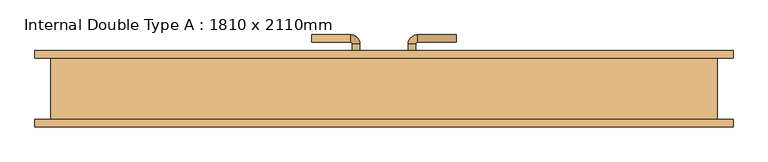
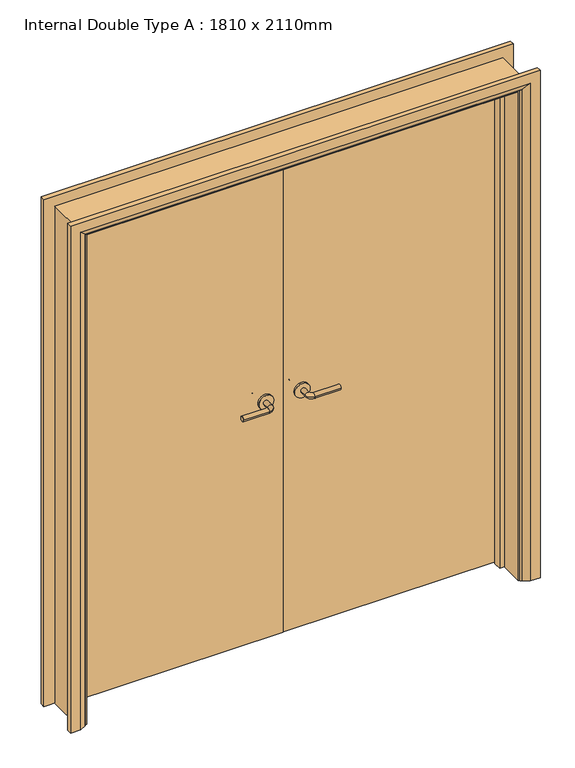
"""IFC4 building model written with IfcOpenShell, lengths in millimetres: door geometry, Internal Double Type A : 1810 x 2110mm."""

from ifc_helpers import new_model, si_unit, point, frame, frame_2d, origin, place, context, project, spatial, polyline, circle_curve, ellipse_curve, trimmed, segment, composite_curve, outline, extrude, faceted_brep, source, transform, mapped, element, save
from ifc_brep_helpers import plane_surface, cylinder_surface, revolved_surface, advanced_brep


def internal_double_type_a_1810_x_2110mm_94c24b58(model_context):
    return source(origin(), model_context, "Body", "SolidModel", [
        advanced_brep(
        [(-65.0, 42.5, 1007.0), (-85.0, 42.5, 1007.0), (-65.0, 12.5, 1007.0), (-85.0, 12.5, 1007.0), (-90.0, 7.5, 1007.0), (-90.0, -12.5, 1007.0), (-195.0, -12.5, 1007.0), (-195.0, 7.5, 1007.0)],
        [
            (0, 1, circle_curve(frame((-75.0, 42.5, 1007.0), z_axis=(0.0, 1.0, 0.0), x_axis=(-1.0, 0.0, 0.0)), 10.0)),
            (1, 0, circle_curve(frame((-75.0, 42.5, 1007.0), z_axis=(0.0, 1.0, 0.0), x_axis=(-1.0, 0.0, 0.0)), 10.0)),
            (0, 2),
            (2, 3, circle_curve(frame((-75.0, 12.5, 1007.0), z_axis=(0.0, 1.0, 0.0), x_axis=(-1.0, 0.0, 0.0)), 10.0)),
            (3, 1),
            (3, 2, circle_curve(frame((-75.0, 12.5, 1007.0), z_axis=(0.0, 1.0, 0.0), x_axis=(-1.0, 0.0, 0.0)), 10.0)),
            (4, 3, circle_curve(frame((-90.0, 12.5, 1007.0), z_axis=(0.0, 0.0, 1.0), x_axis=(1.0, 0.0, 0.0)), 5.0)),
            (2, 5, circle_curve(frame((-90.0, 12.5, 1007.0), z_axis=(0.0, 0.0, -1.0), x_axis=(1.0, 0.0, 0.0)), 25.0)),
            (5, 4, circle_curve(frame((-90.0, -2.5, 1007.0), z_axis=(1.0, 0.0, 0.0), x_axis=(0.0, 1.0, 0.0)), 10.0)),
            (4, 5, circle_curve(frame((-90.0, -2.5, 1007.0), z_axis=(1.0, 0.0, 0.0), x_axis=(0.0, 1.0, 0.0)), 10.0)),
            (6, 7, circle_curve(frame((-195.0, -2.5, 1007.0), z_axis=(-1.0, 0.0, 0.0), x_axis=(0.0, 1.0, 0.0)), 10.0)),
            (7, 6, circle_curve(frame((-195.0, -2.5, 1007.0), z_axis=(-1.0, 0.0, 0.0), x_axis=(0.0, 1.0, 0.0)), 10.0)),
            (5, 6),
            (7, 4),
        ],
        [
            plane_surface(frame((-75.0, 42.5, 1007.0), z_axis=(0.0, 1.0, 0.0), x_axis=(0.0, 0.0, 1.0))),
            cylinder_surface(frame((-75.0, 42.5, 1007.0), z_axis=(0.0, 1.0, 0.0), x_axis=(-1.0, 0.0, 0.0)), 10.0),
            revolved_surface(trimmed(ellipse_curve(frame((-75.0, 12.5, 1007.0), z_axis=(0.0, 1.0, 0.0), x_axis=(-1.0, 0.0, 0.0)), 10.0, 10.0), [point((-65.0, 12.5, 1007.0))], [point((-85.0, 12.5, 1007.0))], True, "CARTESIAN"), (-90.0, 12.5, 1007.0), (0.0, 0.0, -1.0)),
            revolved_surface(trimmed(ellipse_curve(frame((-75.0, 12.5, 1007.0), z_axis=(0.0, 1.0, 0.0), x_axis=(-1.0, 0.0, 0.0)), 10.0, 10.0), [point((-85.0, 12.5, 1007.0))], [point((-65.0, 12.5, 1007.0))], True, "CARTESIAN"), (-90.0, 12.5, 1007.0), (0.0, 0.0, -1.0)),
            plane_surface(frame((-195.0, -2.5, 1007.0), z_axis=(-1.0, 0.0, 0.0), x_axis=(0.0, 0.0, 1.0))),
            cylinder_surface(frame((-90.0, -2.5, 1007.0), z_axis=(1.0, 0.0, 0.0), x_axis=(0.0, 1.0, 0.0)), 10.0),
        ],
        [
            (0, [[1, 2]]),
            (1, [[-1, 3, 4, 5]]),
            (1, [[-2, -5, 6, -3]]),
            (2, [[7, -4, 8, 9]]),
            (3, [[-8, -6, -7, 10]]),
            (4, [[11, 12]]),
            (5, [[-9, 13, -12, 14]]),
            (5, [[-10, -14, -11, -13]]),
        ],
    ),
        extrude(outline(composite_curve([segment(trimmed(circle_curve(frame_2d((1007.0, -72.5)), 30.0), [point((1007.0, -42.5))], [point((1007.0, -102.5))], False, "CARTESIAN"), True, "CONTINUOUS"), segment(trimmed(circle_curve(frame_2d((1007.0, -72.5)), 30.0), [point((1007.0, -102.5))], [point((1007.0, -42.5))], False, "CARTESIAN"), True, "CONTINUOUS")], self_intersect=False)), frame((0.0, 42.5, 0.0), z_axis=(0.0, 1.0, 0.0), x_axis=(0.0, 0.0, 1.0)), (0.0, 0.0, 1.0), 8.0),
        advanced_brep(
        [(-65.0, 90.5, 1007.0), (-85.0, 90.5, 1007.0), (-85.0, 120.5, 1007.0), (-65.0, 120.5, 1007.0), (-90.0, 125.5, 1007.0), (-90.0, 145.5, 1007.0), (-195.0, 145.5, 1007.0), (-195.0, 125.5, 1007.0)],
        [
            (0, 1, circle_curve(frame((-75.0, 90.5, 1007.0), z_axis=(0.0, -1.0, 0.0), x_axis=(-1.0, 0.0, 0.0)), 10.0)),
            (1, 0, circle_curve(frame((-75.0, 90.5, 1007.0), z_axis=(0.0, -1.0, 0.0), x_axis=(-1.0, 0.0, 0.0)), 10.0)),
            (1, 2),
            (2, 3, circle_curve(frame((-75.0, 120.5, 1007.0), z_axis=(0.0, -1.0, 0.0), x_axis=(-1.0, 0.0, 0.0)), 10.0)),
            (3, 0),
            (3, 2, circle_curve(frame((-75.0, 120.5, 1007.0), z_axis=(0.0, -1.0, 0.0), x_axis=(-1.0, 0.0, 0.0)), 10.0)),
            (4, 5, circle_curve(frame((-90.0, 135.5, 1007.0), z_axis=(1.0, 0.0, 0.0), x_axis=(0.0, -1.0, 0.0)), 10.0)),
            (5, 3, circle_curve(frame((-90.0, 120.5, 1007.0), z_axis=(0.0, 0.0, -1.0), x_axis=(1.0, 0.0, 0.0)), 25.0)),
            (2, 4, circle_curve(frame((-90.0, 120.5, 1007.0), z_axis=(0.0, 0.0, 1.0), x_axis=(1.0, 0.0, 0.0)), 5.0)),
            (5, 4, circle_curve(frame((-90.0, 135.5, 1007.0), z_axis=(1.0, 0.0, 0.0), x_axis=(0.0, -1.0, 0.0)), 10.0)),
            (6, 7, circle_curve(frame((-195.0, 135.5, 1007.0), z_axis=(-1.0, 0.0, 0.0), x_axis=(0.0, -1.0, 0.0)), 10.0)),
            (7, 6, circle_curve(frame((-195.0, 135.5, 1007.0), z_axis=(-1.0, 0.0, 0.0), x_axis=(0.0, -1.0, 0.0)), 10.0)),
            (4, 7),
            (6, 5),
        ],
        [
            plane_surface(frame((-75.0, 90.5, 1007.0), z_axis=(0.0, -1.0, 0.0), x_axis=(0.0, 0.0, 1.0))),
            cylinder_surface(frame((-75.0, 90.5, 1007.0), z_axis=(0.0, -1.0, 0.0), x_axis=(-1.0, 0.0, 0.0)), 10.0),
            revolved_surface(trimmed(ellipse_curve(frame((-75.0, 120.5, 1007.0), z_axis=(0.0, 1.0, 0.0), x_axis=(-1.0, 0.0, 0.0)), 10.0, 10.0), [point((-65.0, 120.5, 1007.0))], [point((-85.0, 120.5, 1007.0))], True, "CARTESIAN"), (-90.0, 120.5, 1007.0), (0.0, 0.0, -1.0)),
            revolved_surface(trimmed(ellipse_curve(frame((-75.0, 120.5, 1007.0), z_axis=(0.0, 1.0, 0.0), x_axis=(-1.0, 0.0, 0.0)), 10.0, 10.0), [point((-85.0, 120.5, 1007.0))], [point((-65.0, 120.5, 1007.0))], True, "CARTESIAN"), (-90.0, 120.5, 1007.0), (0.0, 0.0, -1.0)),
            plane_surface(frame((-195.0, 135.5, 1007.0), z_axis=(-1.0, 0.0, 0.0), x_axis=(0.0, 0.0, 1.0))),
            cylinder_surface(frame((-90.0, 135.5, 1007.0), z_axis=(1.0, 0.0, 0.0), x_axis=(0.0, -1.0, 0.0)), 10.0),
        ],
        [
            (0, [[1, 2]]),
            (1, [[3, 4, 5, -2]]),
            (1, [[-5, 6, -3, -1]]),
            (2, [[7, 8, -4, 9]]),
            (3, [[10, -9, -6, -8]]),
            (4, [[11, 12]]),
            (5, [[13, -11, 14, -7]]),
            (5, [[-14, -12, -13, -10]]),
        ],
    ),
        extrude(outline(composite_curve([segment(trimmed(circle_curve(frame_2d((1007.0, -72.5)), 30.0), [point((1007.0, -42.5))], [point((1007.0, -102.5))], False, "CARTESIAN"), True, "CONTINUOUS"), segment(trimmed(circle_curve(frame_2d((1007.0, -72.5)), 30.0), [point((1007.0, -102.5))], [point((1007.0, -42.5))], False, "CARTESIAN"), True, "CONTINUOUS")], self_intersect=False)), frame((0.0, 82.5, 0.0), z_axis=(0.0, 1.0, 0.0), x_axis=(0.0, 0.0, 1.0)), (0.0, 0.0, 1.0), 8.0),
        advanced_brep(
        [(65.0, 42.5, 1007.0), (85.0, 42.5, 1007.0), (85.0, 12.5, 1007.0), (65.0, 12.5, 1007.0), (90.0, 7.5, 1007.0), (90.0, -12.5, 1007.0), (195.0, -12.5, 1007.0), (195.0, 7.5, 1007.0)],
        [
            (0, 1, circle_curve(frame((75.0, 42.5, 1007.0), z_axis=(0.0, 1.0, 0.0), x_axis=(1.0, 0.0, 0.0)), 10.0)),
            (1, 0, circle_curve(frame((75.0, 42.5, 1007.0), z_axis=(0.0, 1.0, 0.0), x_axis=(1.0, 0.0, 0.0)), 10.0)),
            (1, 2),
            (2, 3, circle_curve(frame((75.0, 12.5, 1007.0), z_axis=(0.0, 1.0, 0.0), x_axis=(1.0, 0.0, 0.0)), 10.0)),
            (3, 0),
            (3, 2, circle_curve(frame((75.0, 12.5, 1007.0), z_axis=(0.0, 1.0, 0.0), x_axis=(1.0, 0.0, 0.0)), 10.0)),
            (4, 5, circle_curve(frame((90.0, -2.5, 1007.0), z_axis=(-1.0, 0.0, 0.0), x_axis=(0.0, 1.0, 0.0)), 10.0)),
            (5, 3, circle_curve(frame((90.0, 12.5, 1007.0), z_axis=(0.0, 0.0, -1.0), x_axis=(-1.0, 0.0, 0.0)), 25.0)),
            (2, 4, circle_curve(frame((90.0, 12.5, 1007.0), z_axis=(0.0, 0.0, 1.0), x_axis=(-1.0, 0.0, 0.0)), 5.0)),
            (5, 4, circle_curve(frame((90.0, -2.5, 1007.0), z_axis=(-1.0, 0.0, 0.0), x_axis=(0.0, 1.0, 0.0)), 10.0)),
            (6, 7, circle_curve(frame((195.0, -2.5, 1007.0), z_axis=(1.0, 0.0, 0.0), x_axis=(0.0, 1.0, 0.0)), 10.0)),
            (7, 6, circle_curve(frame((195.0, -2.5, 1007.0), z_axis=(1.0, 0.0, 0.0), x_axis=(0.0, 1.0, 0.0)), 10.0)),
            (4, 7),
            (6, 5),
        ],
        [
            plane_surface(frame((75.0, 42.5, 1007.0), z_axis=(0.0, 1.0, 0.0), x_axis=(0.0, 0.0, 1.0))),
            cylinder_surface(frame((75.0, 42.5, 1007.0), z_axis=(0.0, 1.0, 0.0), x_axis=(1.0, 0.0, 0.0)), 10.0),
            revolved_surface(trimmed(ellipse_curve(frame((75.0, 12.5, 1007.0), z_axis=(0.0, -1.0, 0.0), x_axis=(1.0, 0.0, 0.0)), 10.0, 10.0), [point((65.0, 12.5, 1007.0))], [point((85.0, 12.5, 1007.0))], True, "CARTESIAN"), (90.0, 12.5, 1007.0), (0.0, 0.0, -1.0)),
            revolved_surface(trimmed(ellipse_curve(frame((75.0, 12.5, 1007.0), z_axis=(0.0, -1.0, 0.0), x_axis=(1.0, 0.0, 0.0)), 10.0, 10.0), [point((85.0, 12.5, 1007.0))], [point((65.0, 12.5, 1007.0))], True, "CARTESIAN"), (90.0, 12.5, 1007.0), (0.0, 0.0, -1.0)),
            plane_surface(frame((195.0, -2.5, 1007.0), z_axis=(1.0, 0.0, 0.0), x_axis=(0.0, 0.0, 1.0))),
            cylinder_surface(frame((90.0, -2.5, 1007.0), z_axis=(-1.0, 0.0, 0.0), x_axis=(0.0, 1.0, 0.0)), 10.0),
        ],
        [
            (0, [[1, 2]]),
            (1, [[3, 4, 5, -2]]),
            (1, [[-5, 6, -3, -1]]),
            (2, [[7, 8, -4, 9]]),
            (3, [[10, -9, -6, -8]]),
            (4, [[11, 12]]),
            (5, [[13, -11, 14, -7]]),
            (5, [[-14, -12, -13, -10]]),
        ],
    ),
        extrude(outline(composite_curve([segment(trimmed(circle_curve(frame_2d((1007.0, 72.5)), 30.0), [point((1007.0, 42.5))], [point((1007.0, 102.5))], False, "CARTESIAN"), True, "CONTINUOUS"), segment(trimmed(circle_curve(frame_2d((1007.0, 72.5)), 30.0), [point((1007.0, 102.5))], [point((1007.0, 42.5))], False, "CARTESIAN"), True, "CONTINUOUS")], self_intersect=False)), frame((0.0, 42.5, 0.0), z_axis=(0.0, 1.0, 0.0), x_axis=(0.0, 0.0, 1.0)), (0.0, 0.0, 1.0), 8.0),
        advanced_brep(
        [(65.0, 90.5, 1007.0), (85.0, 90.5, 1007.0), (65.0, 120.5, 1007.0), (85.0, 120.5, 1007.0), (90.0, 125.5, 1007.0), (90.0, 145.5, 1007.0), (195.0, 145.5, 1007.0), (195.0, 125.5, 1007.0)],
        [
            (0, 1, circle_curve(frame((75.0, 90.5, 1007.0), z_axis=(0.0, -1.0, 0.0), x_axis=(1.0, 0.0, 0.0)), 10.0)),
            (1, 0, circle_curve(frame((75.0, 90.5, 1007.0), z_axis=(0.0, -1.0, 0.0), x_axis=(1.0, 0.0, 0.0)), 10.0)),
            (0, 2),
            (2, 3, circle_curve(frame((75.0, 120.5, 1007.0), z_axis=(0.0, -1.0, 0.0), x_axis=(1.0, 0.0, 0.0)), 10.0)),
            (3, 1),
            (3, 2, circle_curve(frame((75.0, 120.5, 1007.0), z_axis=(0.0, -1.0, 0.0), x_axis=(1.0, 0.0, 0.0)), 10.0)),
            (4, 3, circle_curve(frame((90.0, 120.5, 1007.0), z_axis=(0.0, 0.0, 1.0), x_axis=(-1.0, 0.0, 0.0)), 5.0)),
            (2, 5, circle_curve(frame((90.0, 120.5, 1007.0), z_axis=(0.0, 0.0, -1.0), x_axis=(-1.0, 0.0, 0.0)), 25.0)),
            (5, 4, circle_curve(frame((90.0, 135.5, 1007.0), z_axis=(-1.0, 0.0, 0.0), x_axis=(0.0, -1.0, 0.0)), 10.0)),
            (4, 5, circle_curve(frame((90.0, 135.5, 1007.0), z_axis=(-1.0, 0.0, 0.0), x_axis=(0.0, -1.0, 0.0)), 10.0)),
            (6, 7, circle_curve(frame((195.0, 135.5, 1007.0), z_axis=(1.0, 0.0, 0.0), x_axis=(0.0, -1.0, 0.0)), 10.0)),
            (7, 6, circle_curve(frame((195.0, 135.5, 1007.0), z_axis=(1.0, 0.0, 0.0), x_axis=(0.0, -1.0, 0.0)), 10.0)),
            (5, 6),
            (7, 4),
        ],
        [
            plane_surface(frame((75.0, 90.5, 1007.0), z_axis=(0.0, -1.0, 0.0), x_axis=(0.0, 0.0, 1.0))),
            cylinder_surface(frame((75.0, 90.5, 1007.0), z_axis=(0.0, -1.0, 0.0), x_axis=(1.0, 0.0, 0.0)), 10.0),
            revolved_surface(trimmed(ellipse_curve(frame((75.0, 120.5, 1007.0), z_axis=(0.0, -1.0, 0.0), x_axis=(1.0, 0.0, 0.0)), 10.0, 10.0), [point((65.0, 120.5, 1007.0))], [point((85.0, 120.5, 1007.0))], True, "CARTESIAN"), (90.0, 120.5, 1007.0), (0.0, 0.0, -1.0)),
            revolved_surface(trimmed(ellipse_curve(frame((75.0, 120.5, 1007.0), z_axis=(0.0, -1.0, 0.0), x_axis=(1.0, 0.0, 0.0)), 10.0, 10.0), [point((85.0, 120.5, 1007.0))], [point((65.0, 120.5, 1007.0))], True, "CARTESIAN"), (90.0, 120.5, 1007.0), (0.0, 0.0, -1.0)),
            plane_surface(frame((195.0, 135.5, 1007.0), z_axis=(1.0, 0.0, 0.0), x_axis=(0.0, 0.0, 1.0))),
            cylinder_surface(frame((90.0, 135.5, 1007.0), z_axis=(-1.0, 0.0, 0.0), x_axis=(0.0, -1.0, 0.0)), 10.0),
        ],
        [
            (0, [[1, 2]]),
            (1, [[-1, 3, 4, 5]]),
            (1, [[-2, -5, 6, -3]]),
            (2, [[7, -4, 8, 9]]),
            (3, [[-8, -6, -7, 10]]),
            (4, [[11, 12]]),
            (5, [[-9, 13, -12, 14]]),
            (5, [[-10, -14, -11, -13]]),
        ],
    ),
        extrude(outline(composite_curve([segment(trimmed(circle_curve(frame_2d((1007.0, 72.5)), 30.0), [point((1007.0, 42.5))], [point((1007.0, 102.5))], False, "CARTESIAN"), True, "CONTINUOUS"), segment(trimmed(circle_curve(frame_2d((1007.0, 72.5)), 30.0), [point((1007.0, 102.5))], [point((1007.0, 42.5))], False, "CARTESIAN"), True, "CONTINUOUS")], self_intersect=False)), frame((0.0, 82.5, 0.0), z_axis=(0.0, 1.0, 0.0), x_axis=(0.0, 0.0, 1.0)), (0.0, 0.0, 1.0), 8.0),
        advanced_brep(
        [(-940.0, -102.5, 0.0), (-940.0, -82.5, 0.0), (-870.0, -82.5, 0.0), (-874.0, -88.5, 0.0), (-900.0, -102.5, 0.0), (-940.0, -102.5, 2145.0), (-940.0, -82.5, 2145.0), (940.0, -82.5, 2145.0), (940.0, -82.5, 0.0), (870.0, -82.5, 0.0), (870.0, -82.5, 2075.0), (-870.0, -82.5, 2075.0), (-874.0, -88.5, 2079.0), (-900.0, -102.5, 2105.0), (900.0, -102.5, 2105.0), (900.0, -102.5, 0.0), (940.0, -102.5, 0.0), (940.0, -102.5, 2145.0), (874.0, -88.5, 2079.0), (874.0, -88.5, 0.0)],
        [
            (0, 1),
            (1, 2),
            (2, 3, circle_curve(frame((-878.0, -81.5, 0.0), z_axis=(0.0, 0.0, -1.0), x_axis=(-1.0, 0.0, 0.0)), 8.0622577)),
            (3, 4),
            (4, 0),
            (0, 5),
            (5, 6),
            (6, 1),
            (6, 7),
            (7, 8),
            (8, 9),
            (9, 10),
            (10, 11),
            (11, 2),
            (11, 12, ellipse_curve(frame((-878.0, -81.5, 2083.0), z_axis=(-0.7071067811865475, 0.0, -0.7071067811865475), x_axis=(0.7071067811865474, 0.0, -0.7071067811865476)), 11.4017543, 8.0622577)),
            (12, 3),
            (12, 13),
            (13, 4),
            (13, 14),
            (14, 15),
            (15, 16),
            (16, 17),
            (17, 5),
            (17, 7),
            (10, 18, ellipse_curve(frame((878.0, -81.5, 2083.0), z_axis=(-0.7071067811865475, 0.0, 0.7071067811865475), x_axis=(-0.7071067811865476, 0.0, -0.7071067811865474)), 11.4017543, 8.0622577)),
            (18, 12),
            (18, 14),
            (15, 19),
            (19, 9, circle_curve(frame((878.0, -81.5, 0.0), z_axis=(0.0, 0.0, -1.0), x_axis=(1.0, 0.0, 0.0)), 8.0622577)),
            (8, 16),
            (19, 18),
        ],
        [
            plane_surface(frame((-870.0, -82.5, 0.0), z_axis=(0.0, 0.0, -1.0), x_axis=(0.0, -1.0, 0.0))),
            plane_surface(frame((-940.0, -102.5, 0.0), z_axis=(-1.0, 0.0, 0.0), x_axis=(0.0, 0.0, 1.0))),
            plane_surface(frame((-940.0, -82.5, 0.0), z_axis=(0.0, 1.0, 0.0), x_axis=(0.0, 0.0, 1.0))),
            cylinder_surface(frame((-878.0, -81.5, 0.0), z_axis=(0.0, 0.0, -1.0), x_axis=(-1.0, 0.0, 0.0)), 8.0622577),
            plane_surface(frame((-874.0, -88.5, 0.0), z_axis=(0.4740998230350183, -0.8804710999221749, 0.0), x_axis=(0.0, 0.0, 1.0))),
            plane_surface(frame((-900.0, -102.5, 0.0), z_axis=(0.0, -1.0, 0.0), x_axis=(0.0, 0.0, 1.0))),
            plane_surface(frame((-940.0, -102.5, 2145.0), z_axis=(0.0, 0.0, 1.0), x_axis=(1.0, 0.0, 0.0))),
            cylinder_surface(frame((-870.0, -81.5, 2083.0), z_axis=(-1.0, 0.0, 0.0), x_axis=(0.0, 0.0, 1.0)), 8.0622577),
            plane_surface(frame((-874.0, -88.5, 2079.0), z_axis=(0.0, -0.8804710999221749, -0.4740998230350183), x_axis=(1.0, 0.0, 0.0))),
            plane_surface(frame((870.0, -82.5, 0.0), z_axis=(0.0, 0.0, -1.0), x_axis=(0.0, -1.0, 0.0))),
            plane_surface(frame((940.0, -102.5, 2145.0), z_axis=(1.0, 0.0, 0.0), x_axis=(0.0, 0.0, -1.0))),
            cylinder_surface(frame((878.0, -81.5, 2075.0), z_axis=(0.0, 0.0, 1.0), x_axis=(1.0, 0.0, 0.0)), 8.0622577),
            plane_surface(frame((874.0, -88.5, 2079.0), z_axis=(-0.4740998230350183, -0.8804710999221749, 0.0), x_axis=(0.0, 0.0, -1.0))),
        ],
        [
            (0, [[1, 2, 3, 4, 5]]),
            (1, [[-1, 6, 7, 8]]),
            (2, [[-2, -8, 9, 10, 11, 12, 13, 14]]),
            (3, [[-3, -14, 15, 16]]),
            (4, [[-4, -16, 17, 18]]),
            (5, [[-5, -18, 19, 20, 21, 22, 23, -6]]),
            (6, [[-7, -23, 24, -9]]),
            (7, [[-15, -13, 25, 26]]),
            (8, [[-17, -26, 27, -19]]),
            (9, [[-21, 28, 29, -11, 30]]),
            (10, [[-24, -22, -30, -10]]),
            (11, [[-25, -12, -29, 31]]),
            (12, [[-27, -31, -28, -20]]),
        ],
    ),
        advanced_brep(
        [(940.0, 102.5, 0.0), (940.0, 82.5, 0.0), (870.0, 82.5, 0.0), (874.0, 88.5, 0.0), (900.0, 102.5, 0.0), (940.0, 102.5, 2145.0), (940.0, 82.5, 2145.0), (-940.0, 82.5, 2145.0), (-940.0, 82.5, 0.0), (-870.0, 82.5, 0.0), (-870.0, 82.5, 2075.0), (870.0, 82.5, 2075.0), (874.0, 88.5, 2079.0), (900.0, 102.5, 2105.0), (-900.0, 102.5, 2105.0), (-900.0, 102.5, 0.0), (-940.0, 102.5, 0.0), (-940.0, 102.5, 2145.0), (-874.0, 88.5, 2079.0), (-874.0, 88.5, 0.0)],
        [
            (0, 1),
            (1, 2),
            (2, 3, circle_curve(frame((878.0, 81.5, 0.0), z_axis=(0.0, 0.0, -1.0), x_axis=(1.0, 0.0, 0.0)), 8.0622577)),
            (3, 4),
            (4, 0),
            (0, 5),
            (5, 6),
            (6, 1),
            (6, 7),
            (7, 8),
            (8, 9),
            (9, 10),
            (10, 11),
            (11, 2),
            (11, 12, ellipse_curve(frame((878.0, 81.5, 2083.0), z_axis=(0.7071067811865475, 0.0, -0.7071067811865475), x_axis=(-0.7071067811865474, 0.0, -0.7071067811865476)), 11.4017543, 8.0622577)),
            (12, 3),
            (12, 13),
            (13, 4),
            (13, 14),
            (14, 15),
            (15, 16),
            (16, 17),
            (17, 5),
            (17, 7),
            (10, 18, ellipse_curve(frame((-878.0, 81.5, 2083.0), z_axis=(0.7071067811865475, 0.0, 0.7071067811865475), x_axis=(0.7071067811865476, 0.0, -0.7071067811865474)), 11.4017543, 8.0622577)),
            (18, 12),
            (18, 14),
            (15, 19),
            (19, 9, circle_curve(frame((-878.0, 81.5, 0.0), z_axis=(0.0, 0.0, -1.0), x_axis=(-1.0, 0.0, 0.0)), 8.0622577)),
            (8, 16),
            (19, 18),
        ],
        [
            plane_surface(frame((870.0, 82.5, 0.0), z_axis=(0.0, 0.0, -1.0), x_axis=(0.0, -1.0, 0.0))),
            plane_surface(frame((940.0, 102.5, 0.0), z_axis=(1.0, 0.0, 0.0), x_axis=(0.0, 0.0, 1.0))),
            plane_surface(frame((940.0, 82.5, 0.0), z_axis=(0.0, -1.0, 0.0), x_axis=(0.0, 0.0, 1.0))),
            cylinder_surface(frame((878.0, 81.5, 0.0), z_axis=(0.0, 0.0, -1.0), x_axis=(1.0, 0.0, 0.0)), 8.0622577),
            plane_surface(frame((874.0, 88.5, 0.0), z_axis=(-0.4740998230350126, 0.8804710999221779, 0.0), x_axis=(0.0, 0.0, 1.0))),
            plane_surface(frame((900.0, 102.5, 0.0), z_axis=(0.0, 1.0, 0.0), x_axis=(0.0, 0.0, 1.0))),
            plane_surface(frame((940.0, 102.5, 2145.0), z_axis=(0.0, 0.0, 1.0), x_axis=(-1.0, 0.0, 0.0))),
            cylinder_surface(frame((870.0, 81.5, 2083.0), z_axis=(1.0, 0.0, 0.0), x_axis=(0.0, 0.0, 1.0)), 8.0622577),
            plane_surface(frame((874.0, 88.5, 2079.0), z_axis=(0.0, 0.8804710999221763, -0.4740998230350154), x_axis=(-1.0, 0.0, 0.0))),
            plane_surface(frame((-870.0, 82.5, 0.0), z_axis=(0.0, 0.0, -1.0), x_axis=(0.0, -1.0, 0.0))),
            plane_surface(frame((-940.0, 102.5, 2145.0), z_axis=(-1.0, 0.0, 0.0), x_axis=(0.0, 0.0, -1.0))),
            cylinder_surface(frame((-878.0, 81.5, 2075.0), z_axis=(0.0, 0.0, 1.0), x_axis=(-1.0, 0.0, 0.0)), 8.0622577),
            plane_surface(frame((-874.0, 88.5, 2079.0), z_axis=(0.4740998230350183, 0.8804710999221749, 0.0), x_axis=(0.0, 0.0, -1.0))),
        ],
        [
            (0, [[1, 2, 3, 4, 5]]),
            (1, [[-1, 6, 7, 8]]),
            (2, [[-2, -8, 9, 10, 11, 12, 13, 14]]),
            (3, [[-3, -14, 15, 16]]),
            (4, [[-4, -16, 17, 18]]),
            (5, [[-5, -18, 19, 20, 21, 22, 23, -6]]),
            (6, [[-7, -23, 24, -9]]),
            (7, [[-15, -13, 25, 26]]),
            (8, [[-17, -26, 27, -19]]),
            (9, [[-21, 28, 29, -11, 30]]),
            (10, [[-24, -22, -30, -10]]),
            (11, [[-25, -12, -29, 31]]),
            (12, [[-27, -31, -28, -20]]),
        ],
    ),
        faceted_brep([(-846.0, 47.5, 0.0), (-846.0, 15.5, 0.0), (-865.0, 15.5, 0.0), (-865.0, 47.5, 0.0), (-846.0, 47.5, 2051.0), (-846.0, 15.5, 2051.0), (-865.0, 15.5, 2070.0), (-865.0, 47.5, 2070.0), (846.0, 47.5, 2051.0), (846.0, 15.5, 2051.0), (865.0, 15.5, 2070.0), (865.0, 47.5, 2070.0), (846.0, 47.5, 0.0), (865.0, 47.5, 0.0), (865.0, 15.5, 0.0), (846.0, 15.5, 0.0)], [[[0, 1, 2, 3]], [[1, 0, 4, 5]], [[2, 1, 5, 6]], [[3, 2, 6, 7]], [[0, 3, 7, 4]], [[5, 4, 8, 9]], [[6, 5, 9, 10]], [[7, 6, 10, 11]], [[4, 7, 11, 8]], [[12, 13, 14, 15]], [[9, 8, 12, 15]], [[10, 9, 15, 14]], [[11, 10, 14, 13]], [[8, 11, 13, 12]]]),
        extrude(outline(polyline([(2102.0, -897.0), (0.0, -897.0), (0.0, -865.0), (2070.0, -865.0), (2070.0, 865.0), (0.0, 865.0), (0.0, 897.0), (2102.0, 897.0), (2102.0, -897.0)])), frame((0.0, -82.5, 0.0), z_axis=(0.0, 1.0, 0.0), x_axis=(0.0, 0.0, 1.0)), (0.0, 0.0, 1.0), 165.0),
        extrude(outline(polyline([(-1.5, 50.5), (-862.0, 50.5), (-862.0, 82.5), (-1.5, 82.5), (-1.5, 50.5)])), frame((0.0, 0.0, 5.753223), z_axis=(0.0, 0.0, 1.0), x_axis=(1.0, 0.0, 0.0)), (0.0, 0.0, 1.0), 2061.246777),
        extrude(outline(polyline([(862.0, 50.5), (1.5, 50.5), (1.5, 82.5), (862.0, 82.5), (862.0, 50.5)])), frame((0.0, 0.0, 5.753223), z_axis=(0.0, 0.0, 1.0), x_axis=(1.0, 0.0, 0.0)), (0.0, 0.0, 1.0), 2061.246777),
    ])


if __name__ == "__main__":
    model = new_model("IFC4")
    model_context = context("Model", 3, world=origin())
    ifc_project = project(units=[si_unit("LENGTHUNIT", "METRE", prefix="MILLI")], contexts=[model_context])
    site = spatial("IfcSite", under=ifc_project)
    building = spatial("IfcBuilding", under=site)
    placement = place(None, origin())
    internal_double_type_a_1810_x_2110mm_shape = internal_double_type_a_1810_x_2110mm_94c24b58(model_context)
    element("IfcDoor", 1, ObjectType="Internal Double Type A : 1810 x 2110mm", at=placement, inside=building, context=model_context, shape_type="MappedRepresentation", body=[
        mapped(internal_double_type_a_1810_x_2110mm_shape, transform((0.0, 0.0, 0.0), x_axis=(1.0, 0.0, 0.0), y_axis=(0.0, 1.0, 0.0), z_axis=(0.0, 0.0, 1.0))),
    ])
    save(model, "model.ifc")
